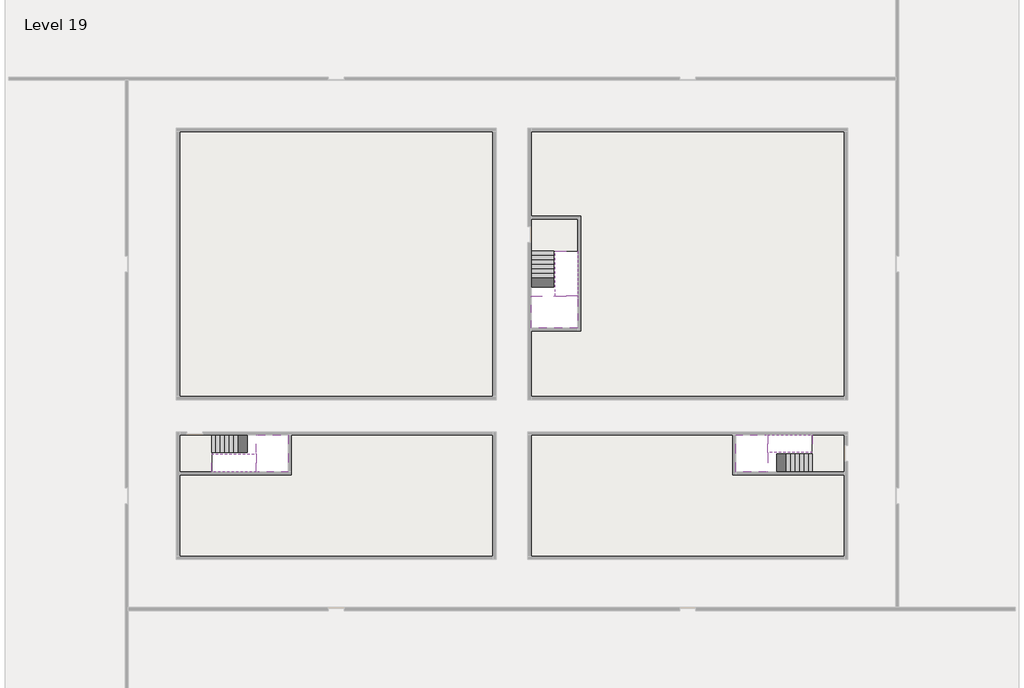
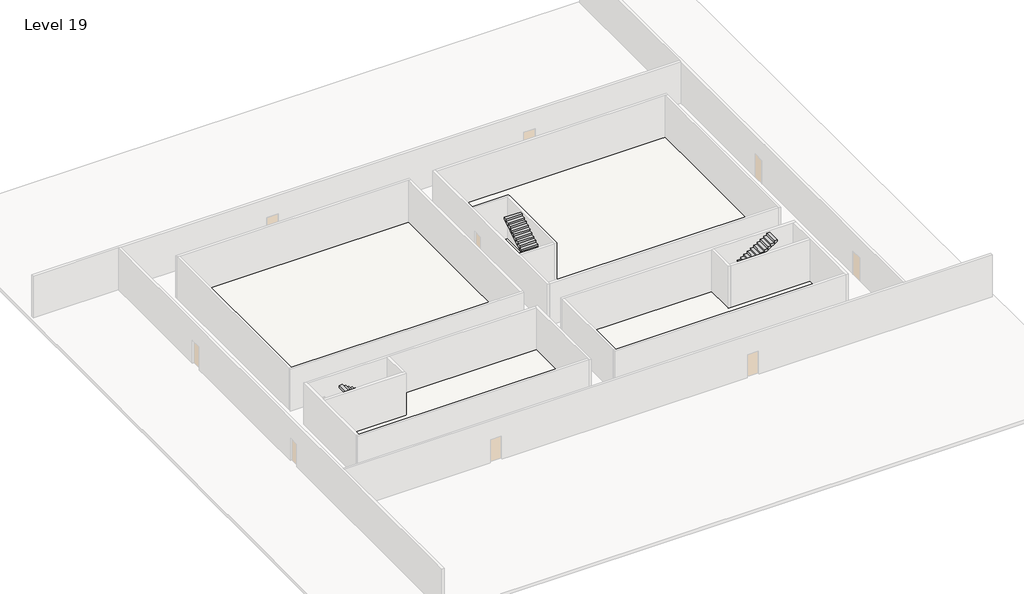
# One storey, part 2 of 2: 6 stair flights, 5 slabs.
"""IFC4 building model written with IfcOpenShell, lengths in millimetres."""

from ifc_helpers import new_model, si_unit, frame, origin, place, context, project, spatial, polyline, outline, extrude, faceted_brep, element, save

model = new_model("IFC4")

# Units and contexts
model_context = context("Model", 3, world=origin())
ifc_project = project(units=[si_unit("LENGTHUNIT", "METRE", prefix="MILLI")], contexts=[model_context])

# Site, building, storey
site = spatial("IfcSite", under=ifc_project)
building = spatial("IfcBuilding", under=site)
storey = spatial("IfcBuildingStorey", under=building, Name="Level 19", Elevation=68400.0)

# Slabs
placement = place(None, origin())
element("IfcSlab", 1, at=placement, inside=storey, context=model_context, shape_type="Brep", body=[
    faceted_brep([(8190.1058784, -42918.09644, 70300.0), (8190.1058784, -44018.09644, 70300.0), (8190.1058784, -44118.09644, 70300.0), (8190.1058784, -45218.09644, 70300.0), (8390.7194421, -45218.09644, 70300.0), (10190.1058784, -45218.09644, 70300.0), (10190.1058784, -42918.09644, 70300.0), (8269.4923146, -42918.09644, 70300.0), (8190.1058784, -42918.09644, 70127.2727273), (8190.1058784, -42918.09644, 69951.0278478), (8190.1058784, -44018.09644, 69951.0278478), (8190.1058784, -44018.09644, 70000.0), (8190.1058784, -44118.09644, 70000.0), (8190.1058784, -44118.09644, 70123.7551205), (8190.1058784, -45218.09644, 70123.7551205), (8390.7194421, -45218.09644, 70000.0), (10190.1058784, -45218.09644, 70000.0), (10190.1058784, -42918.09644, 70000.0), (8269.4923146, -42918.09644, 70000.0), (8390.7194421, -44118.09644, 70000.0), (8269.4923146, -44018.09644, 70000.0)], [[[0, 1, 2, 3, 4, 5, 6, 7]], [[1, 0, 8, 9, 10, 11]], [[2, 1, 11, 12, 13]], [[3, 2, 13, 14]], [[3, 14, 15, 16, 5, 4]], [[6, 5, 16, 17]], [[9, 8, 0, 7, 6, 17, 18]], [[19, 12, 11, 20, 18, 17, 16, 15]], [[12, 19, 13]], [[18, 20, 10, 9]], [[20, 11, 10]], [[19, 15, 14, 13]]]),
])
element("IfcSlab", 2, at=placement, inside=storey, context=model_context, shape_type="Brep", body=[
    faceted_brep([(40190.1058784, -45218.09644, 70300.0), (40190.1058784, -44118.09644, 70300.0), (40190.1058784, -44018.09644, 70300.0), (40190.1058784, -42918.09644, 70300.0), (39989.4923146, -42918.09644, 70300.0), (38190.1058784, -42918.09644, 70300.0), (38190.1058784, -45218.09644, 70300.0), (40110.7194421, -45218.09644, 70300.0), (40190.1058784, -45218.09644, 70127.2727273), (40190.1058784, -45218.09644, 69951.0278478), (40190.1058784, -44118.09644, 69951.0278478), (40190.1058784, -44118.09644, 70000.0), (40190.1058784, -44018.09644, 70000.0), (40190.1058784, -44018.09644, 70123.7551205), (40190.1058784, -42918.09644, 70123.7551205), (39989.4923146, -42918.09644, 70000.0), (38190.1058784, -42918.09644, 70000.0), (38190.1058784, -45218.09644, 70000.0), (40110.7194421, -45218.09644, 70000.0), (39989.4923146, -44018.09644, 70000.0), (40110.7194421, -44118.09644, 70000.0)], [[[0, 1, 2, 3, 4, 5, 6, 7]], [[1, 0, 8, 9, 10, 11]], [[2, 1, 11, 12, 13]], [[3, 2, 13, 14]], [[3, 14, 15, 16, 5, 4]], [[6, 5, 16, 17]], [[9, 8, 0, 7, 6, 17, 18]], [[19, 12, 11, 20, 18, 17, 16, 15]], [[12, 19, 13]], [[18, 20, 10, 9]], [[20, 11, 10]], [[19, 15, 14, 13]]]),
])
element("IfcSlab", 3, at=placement, inside=storey, context=model_context, shape_type="Brep", body=[
    faceted_brep([(26790.1058784, -34218.09644, 70300.0), (25390.1058784, -34218.09644, 70300.0), (25390.1058784, -34297.4828763, 70300.0), (25390.1058784, -36218.09644, 70300.0), (28290.1058784, -36218.09644, 70300.0), (28290.1058784, -34418.7100038, 70300.0), (28290.1058784, -34218.09644, 70300.0), (26890.1058784, -34218.09644, 70300.0), (26790.1058784, -34218.09644, 70000.0), (26790.1058784, -34218.09644, 69951.0278478), (25390.1058784, -34218.09644, 69951.0278478), (25390.1058784, -34218.09644, 70127.2727273), (25390.1058784, -34297.4828763, 70000.0), (25390.1058784, -36218.09644, 70000.0), (28290.1058784, -36218.09644, 70000.0), (28290.1058784, -34418.7100038, 70000.0), (28290.1058784, -34218.09644, 70123.7551205), (26890.1058784, -34218.09644, 70123.7551205), (26890.1058784, -34218.09644, 70000.0), (26890.1058784, -34418.7100038, 70000.0), (26790.1058784, -34297.4828763, 70000.0)], [[[0, 1, 2, 3, 4, 5, 6, 7]], [[1, 0, 8, 9, 10, 11]], [[1, 11, 10, 12, 13, 3, 2]], [[4, 3, 13, 14]], [[4, 14, 15, 16, 6, 5]], [[7, 6, 16, 17]], [[0, 7, 17, 18, 8]], [[18, 19, 15, 14, 13, 12, 20, 8]], [[19, 18, 17]], [[20, 12, 10, 9]], [[8, 20, 9]], [[15, 19, 17, 16]]]),
])
element("IfcSlab", 4, at=placement, inside=storey, context=model_context, shape_type="SweptSolid", body=[
    extrude(outline(polyline([(22990.1058784, -23918.09644), (22990.1058784, -40518.09644), (3390.1058784, -40518.09644), (3390.1058784, -23918.09644), (22990.1058784, -23918.09644)])), frame((0.0, 0.0, 68100.0), z_axis=(0.0, 0.0, 1.0), x_axis=(1.0, 0.0, 0.0)), (0.0, 0.0, 1.0), 300.0),
    extrude(outline(polyline([(44990.1058784, -23918.09644), (44990.1058784, -40518.09644), (25390.1058784, -40518.09644), (25390.1058784, -36418.09644), (28490.1058784, -36418.09644), (28490.1058784, -29218.09644), (25390.1058784, -29218.09644), (25390.1058784, -23918.09644), (44990.1058784, -23918.09644)])), frame((0.0, 0.0, 68100.0), z_axis=(0.0, 0.0, 1.0), x_axis=(1.0, 0.0, 0.0)), (0.0, 0.0, 1.0), 300.0),
    extrude(outline(polyline([(22990.1058784, -42918.09644), (22990.1058784, -50518.09644), (3390.1058784, -50518.09644), (3390.1058784, -45418.09644), (10390.1058784, -45418.09644), (10390.1058784, -42918.09644), (22990.1058784, -42918.09644)])), frame((0.0, 0.0, 68100.0), z_axis=(0.0, 0.0, 1.0), x_axis=(1.0, 0.0, 0.0)), (0.0, 0.0, 1.0), 300.0),
    extrude(outline(polyline([(37990.1058784, -42918.09644), (37990.1058784, -45418.09644), (44990.1058784, -45418.09644), (44990.1058784, -50518.09644), (25390.1058784, -50518.09644), (25390.1058784, -42918.09644), (37990.1058784, -42918.09644)])), frame((0.0, 0.0, 68100.0), z_axis=(0.0, 0.0, 1.0), x_axis=(1.0, 0.0, 0.0)), (0.0, 0.0, 1.0), 300.0),
])
element("IfcSlab", 5, at=placement, inside=storey, context=model_context, shape_type="SweptSolid", body=[
    extrude(outline(polyline([(44990.1058784, -42918.09644), (44990.1058784, -45218.09644), (42990.1058784, -45218.09644), (42990.1058784, -42918.09644), (44990.1058784, -42918.09644)])), frame((0.0, 0.0, 68100.0), z_axis=(0.0, 0.0, 1.0), x_axis=(1.0, 0.0, 0.0)), (0.0, 0.0, 1.0), 300.0),
    extrude(outline(polyline([(5390.1058784, -42918.09644), (5390.1058784, -45218.09644), (3390.1058784, -45218.09644), (3390.1058784, -42918.09644), (5390.1058784, -42918.09644)])), frame((0.0, 0.0, 68100.0), z_axis=(0.0, 0.0, 1.0), x_axis=(1.0, 0.0, 0.0)), (0.0, 0.0, 1.0), 300.0),
    extrude(outline(polyline([(28290.1058784, -29418.09644), (28290.1058784, -31418.09644), (25390.1058784, -31418.09644), (25390.1058784, -29418.09644), (28290.1058784, -29418.09644)])), frame((0.0, 0.0, 68100.0), z_axis=(0.0, 0.0, 1.0), x_axis=(1.0, 0.0, 0.0)), (0.0, 0.0, 1.0), 300.0),
])

# Stair flights
element("IfcStairFlight", 6, at=placement, inside=storey, context=model_context, shape_type="Brep", body=[
    faceted_brep([(5670.1058784, -42918.09644, 68572.7272727), (5390.1058784, -42918.09644, 68572.7272727), (5390.1058784, -44018.09644, 68572.7272727), (5670.1058784, -44018.09644, 68572.7272727), (5670.1058784, -42918.09644, 68400.0), (5390.1058784, -42918.09644, 68400.0), (5390.1058784, -44018.09644, 68400.0), (5670.1058784, -44018.09644, 68400.0), (5950.1058784, -42918.09644, 68745.4545455), (5670.1058784, -42918.09644, 68745.4545455), (5670.1058784, -44018.09644, 68745.4545455), (5950.1058784, -44018.09644, 68745.4545455), (5950.1058784, -42918.09644, 68569.209666), (5675.8081041, -42918.09644, 68400.0), (5675.8081041, -44018.09644, 68400.0), (5950.1058784, -44018.09644, 68569.209666), (6230.1058784, -42918.09644, 68918.1818182), (5950.1058784, -42918.09644, 68918.1818182), (5950.1058784, -44018.09644, 68918.1818182), (6230.1058784, -44018.09644, 68918.1818182), (6230.1058784, -42918.09644, 68741.9369387), (6230.1058784, -44018.09644, 68741.9369387), (6510.1058784, -42918.09644, 69090.9090909), (6230.1058784, -42918.09644, 69090.9090909), (6230.1058784, -44018.09644, 69090.9090909), (6510.1058784, -44018.09644, 69090.9090909), (6510.1058784, -42918.09644, 68914.6642114), (6510.1058784, -44018.09644, 68914.6642114), (6790.1058784, -42918.09644, 69263.6363636), (6510.1058784, -42918.09644, 69263.6363636), (6510.1058784, -44018.09644, 69263.6363636), (6790.1058784, -44018.09644, 69263.6363636), (6790.1058784, -42918.09644, 69087.3914841), (6790.1058784, -44018.09644, 69087.3914841), (7070.1058784, -42918.09644, 69436.3636364), (6790.1058784, -42918.09644, 69436.3636364), (6790.1058784, -44018.09644, 69436.3636364), (7070.1058784, -44018.09644, 69436.3636364), (7070.1058784, -42918.09644, 69260.1187569), (7070.1058784, -44018.09644, 69260.1187569), (7350.1058784, -42918.09644, 69609.0909091), (7070.1058784, -42918.09644, 69609.0909091), (7070.1058784, -44018.09644, 69609.0909091), (7350.1058784, -44018.09644, 69609.0909091), (7350.1058784, -42918.09644, 69432.8460296), (7350.1058784, -44018.09644, 69432.8460296), (7630.1058784, -42918.09644, 69781.8181818), (7350.1058784, -42918.09644, 69781.8181818), (7350.1058784, -44018.09644, 69781.8181818), (7630.1058784, -44018.09644, 69781.8181818), (7630.1058784, -42918.09644, 69605.5733023), (7630.1058784, -44018.09644, 69605.5733023), (7910.1058784, -42918.09644, 69954.5454545), (7630.1058784, -42918.09644, 69954.5454545), (7630.1058784, -44018.09644, 69954.5454545), (7910.1058784, -44018.09644, 69954.5454545), (7910.1058784, -42918.09644, 69778.3005751), (7910.1058784, -44018.09644, 69778.3005751), (8190.1058784, -42918.09644, 70127.2727273), (7910.1058784, -42918.09644, 70127.2727273), (7910.1058784, -44018.09644, 70127.2727273), (8190.1058784, -44018.09644, 70127.2727273), (8190.1058784, -42918.09644, 69951.0278478), (8190.1058784, -44018.09644, 69951.0278478), (8190.1058784, -44018.09644, 70000.0)], [[[0, 1, 2, 3]], [[1, 0, 4, 5]], [[2, 1, 5, 6]], [[3, 2, 6, 7]], [[8, 9, 10, 11]], [[4, 0, 9, 8, 12, 13]], [[0, 3, 10, 9]], [[3, 7, 14, 15, 11, 10]], [[16, 17, 18, 19]], [[17, 16, 20, 12, 8]], [[8, 11, 18, 17]], [[19, 18, 11, 15, 21]], [[22, 23, 24, 25]], [[23, 22, 26, 20, 16]], [[16, 19, 24, 23]], [[25, 24, 19, 21, 27]], [[28, 29, 30, 31]], [[29, 28, 32, 26, 22]], [[22, 25, 30, 29]], [[31, 30, 25, 27, 33]], [[34, 35, 36, 37]], [[35, 34, 38, 32, 28]], [[28, 31, 36, 35]], [[37, 36, 31, 33, 39]], [[40, 41, 42, 43]], [[41, 40, 44, 38, 34]], [[34, 37, 42, 41]], [[43, 42, 37, 39, 45]], [[46, 47, 48, 49]], [[47, 46, 50, 44, 40]], [[40, 43, 48, 47]], [[49, 48, 43, 45, 51]], [[52, 53, 54, 55]], [[53, 52, 56, 50, 46]], [[46, 49, 54, 53]], [[55, 54, 49, 51, 57]], [[58, 59, 60, 61]], [[59, 58, 62, 56, 52]], [[52, 55, 60, 59]], [[61, 60, 55, 57, 63, 64]], [[58, 61, 64, 63, 62]], [[5, 4, 13, 14, 7, 6]], [[14, 13, 12, 20, 26, 32, 38, 44, 50, 56, 62, 63, 57, 51, 45, 39, 33, 27, 21, 15]]]),
])
element("IfcStairFlight", 7, at=placement, inside=storey, context=model_context, shape_type="Brep", body=[
    faceted_brep([(7910.1058784, -45218.09644, 70472.7272727), (8190.1058784, -45218.09644, 70472.7272727), (8190.1058784, -44118.09644, 70472.7272727), (7910.1058784, -44118.09644, 70472.7272727), (7910.1058784, -45218.09644, 70296.4823932), (8190.1058784, -45218.09644, 70123.7551205), (8190.1058784, -45218.09644, 70300.0), (8190.1058784, -44118.09644, 70123.7551205), (7910.1058784, -44118.09644, 70296.4823932), (7630.1058784, -45218.09644, 70645.4545455), (7910.1058784, -45218.09644, 70645.4545455), (7910.1058784, -44118.09644, 70645.4545455), (7630.1058784, -44118.09644, 70645.4545455), (7630.1058784, -45218.09644, 70469.209666), (7630.1058784, -44118.09644, 70469.209666), (7350.1058784, -45218.09644, 70818.1818182), (7630.1058784, -45218.09644, 70818.1818182), (7630.1058784, -44118.09644, 70818.1818182), (7350.1058784, -44118.09644, 70818.1818182), (7350.1058784, -45218.09644, 70641.9369387), (7350.1058784, -44118.09644, 70641.9369387), (7070.1058784, -45218.09644, 70990.9090909), (7350.1058784, -45218.09644, 70990.9090909), (7350.1058784, -44118.09644, 70990.9090909), (7070.1058784, -44118.09644, 70990.9090909), (7070.1058784, -45218.09644, 70814.6642114), (7070.1058784, -44118.09644, 70814.6642114), (6790.1058784, -45218.09644, 71163.6363636), (7070.1058784, -45218.09644, 71163.6363636), (7070.1058784, -44118.09644, 71163.6363636), (6790.1058784, -44118.09644, 71163.6363636), (6790.1058784, -45218.09644, 70987.3914841), (6790.1058784, -44118.09644, 70987.3914841), (6510.1058784, -45218.09644, 71336.3636364), (6790.1058784, -45218.09644, 71336.3636364), (6790.1058784, -44118.09644, 71336.3636364), (6510.1058784, -44118.09644, 71336.3636364), (6510.1058784, -45218.09644, 71160.1187569), (6510.1058784, -44118.09644, 71160.1187569), (6230.1058784, -45218.09644, 71509.0909091), (6510.1058784, -45218.09644, 71509.0909091), (6510.1058784, -44118.09644, 71509.0909091), (6230.1058784, -44118.09644, 71509.0909091), (6230.1058784, -45218.09644, 71332.8460296), (6230.1058784, -44118.09644, 71332.8460296), (5950.1058784, -45218.09644, 71681.8181818), (6230.1058784, -45218.09644, 71681.8181818), (6230.1058784, -44118.09644, 71681.8181818), (5950.1058784, -44118.09644, 71681.8181818), (5950.1058784, -45218.09644, 71505.5733023), (5950.1058784, -44118.09644, 71505.5733023), (5670.1058784, -45218.09644, 71854.5454545), (5950.1058784, -45218.09644, 71854.5454545), (5950.1058784, -44118.09644, 71854.5454545), (5670.1058784, -44118.09644, 71854.5454545), (5670.1058784, -45218.09644, 71678.3005751), (5670.1058784, -44118.09644, 71678.3005751), (5390.1058784, -45218.09644, 72027.2727273), (5670.1058784, -45218.09644, 72027.2727273), (5670.1058784, -44118.09644, 72027.2727273), (5390.1058784, -44118.09644, 72027.2727273), (5390.1058784, -45218.09644, 71851.0278478), (5390.1058784, -44118.09644, 71851.0278478)], [[[0, 1, 2, 3]], [[1, 0, 4, 5, 6]], [[2, 1, 6, 5, 7]], [[3, 2, 7, 8]], [[9, 10, 11, 12]], [[10, 9, 13, 4, 0]], [[11, 10, 0, 3]], [[12, 11, 3, 8, 14]], [[15, 16, 17, 18]], [[16, 15, 19, 13, 9]], [[17, 16, 9, 12]], [[18, 17, 12, 14, 20]], [[21, 22, 23, 24]], [[22, 21, 25, 19, 15]], [[23, 22, 15, 18]], [[24, 23, 18, 20, 26]], [[27, 28, 29, 30]], [[28, 27, 31, 25, 21]], [[29, 28, 21, 24]], [[30, 29, 24, 26, 32]], [[33, 34, 35, 36]], [[34, 33, 37, 31, 27]], [[35, 34, 27, 30]], [[36, 35, 30, 32, 38]], [[39, 40, 41, 42]], [[40, 39, 43, 37, 33]], [[41, 40, 33, 36]], [[42, 41, 36, 38, 44]], [[45, 46, 47, 48]], [[46, 45, 49, 43, 39]], [[47, 46, 39, 42]], [[48, 47, 42, 44, 50]], [[51, 52, 53, 54]], [[52, 51, 55, 49, 45]], [[53, 52, 45, 48]], [[54, 53, 48, 50, 56]], [[57, 58, 59, 60]], [[58, 57, 61, 55, 51]], [[59, 58, 51, 54]], [[60, 59, 54, 56, 62]], [[57, 60, 62, 61]], [[5, 4, 13, 19, 25, 31, 37, 43, 49, 55, 61, 62, 56, 50, 44, 38, 32, 26, 20, 14, 8, 7]]]),
])
element("IfcStairFlight", 8, at=placement, inside=storey, context=model_context, shape_type="Brep", body=[
    faceted_brep([(42710.1058784, -45218.09644, 68572.7272727), (42990.1058784, -45218.09644, 68572.7272727), (42990.1058784, -44118.09644, 68572.7272727), (42710.1058784, -44118.09644, 68572.7272727), (42710.1058784, -45218.09644, 68400.0), (42990.1058784, -45218.09644, 68400.0), (42990.1058784, -44118.09644, 68400.0), (42710.1058784, -44118.09644, 68400.0), (42430.1058784, -45218.09644, 68745.4545455), (42710.1058784, -45218.09644, 68745.4545455), (42710.1058784, -44118.09644, 68745.4545455), (42430.1058784, -44118.09644, 68745.4545455), (42430.1058784, -45218.09644, 68569.209666), (42704.4036527, -45218.09644, 68400.0), (42704.4036527, -44118.09644, 68400.0), (42430.1058784, -44118.09644, 68569.209666), (42150.1058784, -45218.09644, 68918.1818182), (42430.1058784, -45218.09644, 68918.1818182), (42430.1058784, -44118.09644, 68918.1818182), (42150.1058784, -44118.09644, 68918.1818182), (42150.1058784, -45218.09644, 68741.9369387), (42150.1058784, -44118.09644, 68741.9369387), (41870.1058784, -45218.09644, 69090.9090909), (42150.1058784, -45218.09644, 69090.9090909), (42150.1058784, -44118.09644, 69090.9090909), (41870.1058784, -44118.09644, 69090.9090909), (41870.1058784, -45218.09644, 68914.6642114), (41870.1058784, -44118.09644, 68914.6642114), (41590.1058784, -45218.09644, 69263.6363636), (41870.1058784, -45218.09644, 69263.6363636), (41870.1058784, -44118.09644, 69263.6363636), (41590.1058784, -44118.09644, 69263.6363636), (41590.1058784, -45218.09644, 69087.3914841), (41590.1058784, -44118.09644, 69087.3914841), (41310.1058784, -45218.09644, 69436.3636364), (41590.1058784, -45218.09644, 69436.3636364), (41590.1058784, -44118.09644, 69436.3636364), (41310.1058784, -44118.09644, 69436.3636364), (41310.1058784, -45218.09644, 69260.1187569), (41310.1058784, -44118.09644, 69260.1187569), (41030.1058784, -45218.09644, 69609.0909091), (41310.1058784, -45218.09644, 69609.0909091), (41310.1058784, -44118.09644, 69609.0909091), (41030.1058784, -44118.09644, 69609.0909091), (41030.1058784, -45218.09644, 69432.8460296), (41030.1058784, -44118.09644, 69432.8460296), (40750.1058784, -45218.09644, 69781.8181818), (41030.1058784, -45218.09644, 69781.8181818), (41030.1058784, -44118.09644, 69781.8181818), (40750.1058784, -44118.09644, 69781.8181818), (40750.1058784, -45218.09644, 69605.5733023), (40750.1058784, -44118.09644, 69605.5733023), (40470.1058784, -45218.09644, 69954.5454545), (40750.1058784, -45218.09644, 69954.5454545), (40750.1058784, -44118.09644, 69954.5454545), (40470.1058784, -44118.09644, 69954.5454545), (40470.1058784, -45218.09644, 69778.3005751), (40470.1058784, -44118.09644, 69778.3005751), (40190.1058784, -45218.09644, 70127.2727273), (40470.1058784, -45218.09644, 70127.2727273), (40470.1058784, -44118.09644, 70127.2727273), (40190.1058784, -44118.09644, 70127.2727273), (40190.1058784, -45218.09644, 69951.0278478), (40190.1058784, -44118.09644, 69951.0278478), (40190.1058784, -44118.09644, 70000.0)], [[[0, 1, 2, 3]], [[1, 0, 4, 5]], [[2, 1, 5, 6]], [[3, 2, 6, 7]], [[8, 9, 10, 11]], [[4, 0, 9, 8, 12, 13]], [[0, 3, 10, 9]], [[3, 7, 14, 15, 11, 10]], [[16, 17, 18, 19]], [[17, 16, 20, 12, 8]], [[8, 11, 18, 17]], [[19, 18, 11, 15, 21]], [[22, 23, 24, 25]], [[23, 22, 26, 20, 16]], [[16, 19, 24, 23]], [[25, 24, 19, 21, 27]], [[28, 29, 30, 31]], [[29, 28, 32, 26, 22]], [[22, 25, 30, 29]], [[31, 30, 25, 27, 33]], [[34, 35, 36, 37]], [[35, 34, 38, 32, 28]], [[28, 31, 36, 35]], [[37, 36, 31, 33, 39]], [[40, 41, 42, 43]], [[41, 40, 44, 38, 34]], [[34, 37, 42, 41]], [[43, 42, 37, 39, 45]], [[46, 47, 48, 49]], [[47, 46, 50, 44, 40]], [[40, 43, 48, 47]], [[49, 48, 43, 45, 51]], [[52, 53, 54, 55]], [[53, 52, 56, 50, 46]], [[46, 49, 54, 53]], [[55, 54, 49, 51, 57]], [[58, 59, 60, 61]], [[59, 58, 62, 56, 52]], [[52, 55, 60, 59]], [[61, 60, 55, 57, 63, 64]], [[58, 61, 64, 63, 62]], [[5, 4, 13, 14, 7, 6]], [[14, 13, 12, 20, 26, 32, 38, 44, 50, 56, 62, 63, 57, 51, 45, 39, 33, 27, 21, 15]]]),
])
element("IfcStairFlight", 9, at=placement, inside=storey, context=model_context, shape_type="Brep", body=[
    faceted_brep([(40470.1058784, -42918.09644, 70472.7272727), (40190.1058784, -42918.09644, 70472.7272727), (40190.1058784, -44018.09644, 70472.7272727), (40470.1058784, -44018.09644, 70472.7272727), (40470.1058784, -42918.09644, 70296.4823932), (40190.1058784, -42918.09644, 70123.7551205), (40190.1058784, -42918.09644, 70300.0), (40190.1058784, -44018.09644, 70123.7551205), (40470.1058784, -44018.09644, 70296.4823932), (40750.1058784, -42918.09644, 70645.4545455), (40470.1058784, -42918.09644, 70645.4545455), (40470.1058784, -44018.09644, 70645.4545455), (40750.1058784, -44018.09644, 70645.4545455), (40750.1058784, -42918.09644, 70469.209666), (40750.1058784, -44018.09644, 70469.209666), (41030.1058784, -42918.09644, 70818.1818182), (40750.1058784, -42918.09644, 70818.1818182), (40750.1058784, -44018.09644, 70818.1818182), (41030.1058784, -44018.09644, 70818.1818182), (41030.1058784, -42918.09644, 70641.9369387), (41030.1058784, -44018.09644, 70641.9369387), (41310.1058784, -42918.09644, 70990.9090909), (41030.1058784, -42918.09644, 70990.9090909), (41030.1058784, -44018.09644, 70990.9090909), (41310.1058784, -44018.09644, 70990.9090909), (41310.1058784, -42918.09644, 70814.6642114), (41310.1058784, -44018.09644, 70814.6642114), (41590.1058784, -42918.09644, 71163.6363636), (41310.1058784, -42918.09644, 71163.6363636), (41310.1058784, -44018.09644, 71163.6363636), (41590.1058784, -44018.09644, 71163.6363636), (41590.1058784, -42918.09644, 70987.3914841), (41590.1058784, -44018.09644, 70987.3914841), (41870.1058784, -42918.09644, 71336.3636364), (41590.1058784, -42918.09644, 71336.3636364), (41590.1058784, -44018.09644, 71336.3636364), (41870.1058784, -44018.09644, 71336.3636364), (41870.1058784, -42918.09644, 71160.1187569), (41870.1058784, -44018.09644, 71160.1187569), (42150.1058784, -42918.09644, 71509.0909091), (41870.1058784, -42918.09644, 71509.0909091), (41870.1058784, -44018.09644, 71509.0909091), (42150.1058784, -44018.09644, 71509.0909091), (42150.1058784, -42918.09644, 71332.8460296), (42150.1058784, -44018.09644, 71332.8460296), (42430.1058784, -42918.09644, 71681.8181818), (42150.1058784, -42918.09644, 71681.8181818), (42150.1058784, -44018.09644, 71681.8181818), (42430.1058784, -44018.09644, 71681.8181818), (42430.1058784, -42918.09644, 71505.5733023), (42430.1058784, -44018.09644, 71505.5733023), (42710.1058784, -42918.09644, 71854.5454545), (42430.1058784, -42918.09644, 71854.5454545), (42430.1058784, -44018.09644, 71854.5454545), (42710.1058784, -44018.09644, 71854.5454545), (42710.1058784, -42918.09644, 71678.3005751), (42710.1058784, -44018.09644, 71678.3005751), (42990.1058784, -42918.09644, 72027.2727273), (42710.1058784, -42918.09644, 72027.2727273), (42710.1058784, -44018.09644, 72027.2727273), (42990.1058784, -44018.09644, 72027.2727273), (42990.1058784, -42918.09644, 71851.0278478), (42990.1058784, -44018.09644, 71851.0278478)], [[[0, 1, 2, 3]], [[1, 0, 4, 5, 6]], [[2, 1, 6, 5, 7]], [[3, 2, 7, 8]], [[9, 10, 11, 12]], [[10, 9, 13, 4, 0]], [[11, 10, 0, 3]], [[12, 11, 3, 8, 14]], [[15, 16, 17, 18]], [[16, 15, 19, 13, 9]], [[17, 16, 9, 12]], [[18, 17, 12, 14, 20]], [[21, 22, 23, 24]], [[22, 21, 25, 19, 15]], [[23, 22, 15, 18]], [[24, 23, 18, 20, 26]], [[27, 28, 29, 30]], [[28, 27, 31, 25, 21]], [[29, 28, 21, 24]], [[30, 29, 24, 26, 32]], [[33, 34, 35, 36]], [[34, 33, 37, 31, 27]], [[35, 34, 27, 30]], [[36, 35, 30, 32, 38]], [[39, 40, 41, 42]], [[40, 39, 43, 37, 33]], [[41, 40, 33, 36]], [[42, 41, 36, 38, 44]], [[45, 46, 47, 48]], [[46, 45, 49, 43, 39]], [[47, 46, 39, 42]], [[48, 47, 42, 44, 50]], [[51, 52, 53, 54]], [[52, 51, 55, 49, 45]], [[53, 52, 45, 48]], [[54, 53, 48, 50, 56]], [[57, 58, 59, 60]], [[58, 57, 61, 55, 51]], [[59, 58, 51, 54]], [[60, 59, 54, 56, 62]], [[57, 60, 62, 61]], [[5, 4, 13, 19, 25, 31, 37, 43, 49, 55, 61, 62, 56, 50, 44, 38, 32, 26, 20, 14, 8, 7]]]),
])
element("IfcStairFlight", 10, at=placement, inside=storey, context=model_context, shape_type="Brep", body=[
    faceted_brep([(26790.1058784, -31698.09644, 68572.7272727), (26790.1058784, -31418.09644, 68572.7272727), (25390.1058784, -31418.09644, 68572.7272727), (25390.1058784, -31698.09644, 68572.7272727), (26790.1058784, -31698.09644, 68400.0), (26790.1058784, -31418.09644, 68400.0), (25390.1058784, -31418.09644, 68400.0), (25390.1058784, -31698.09644, 68400.0), (26790.1058784, -31978.09644, 68745.4545455), (26790.1058784, -31698.09644, 68745.4545455), (25390.1058784, -31698.09644, 68745.4545455), (25390.1058784, -31978.09644, 68745.4545455), (26790.1058784, -31978.09644, 68569.209666), (26790.1058784, -31703.7986657, 68400.0), (25390.1058784, -31703.7986657, 68400.0), (25390.1058784, -31978.09644, 68569.209666), (26790.1058784, -32258.09644, 68918.1818182), (26790.1058784, -31978.09644, 68918.1818182), (25390.1058784, -31978.09644, 68918.1818182), (25390.1058784, -32258.09644, 68918.1818182), (26790.1058784, -32258.09644, 68741.9369387), (25390.1058784, -32258.09644, 68741.9369387), (26790.1058784, -32538.09644, 69090.9090909), (26790.1058784, -32258.09644, 69090.9090909), (25390.1058784, -32258.09644, 69090.9090909), (25390.1058784, -32538.09644, 69090.9090909), (26790.1058784, -32538.09644, 68914.6642114), (25390.1058784, -32538.09644, 68914.6642114), (26790.1058784, -32818.09644, 69263.6363636), (26790.1058784, -32538.09644, 69263.6363636), (25390.1058784, -32538.09644, 69263.6363636), (25390.1058784, -32818.09644, 69263.6363636), (26790.1058784, -32818.09644, 69087.3914841), (25390.1058784, -32818.09644, 69087.3914841), (26790.1058784, -33098.09644, 69436.3636364), (26790.1058784, -32818.09644, 69436.3636364), (25390.1058784, -32818.09644, 69436.3636364), (25390.1058784, -33098.09644, 69436.3636364), (26790.1058784, -33098.09644, 69260.1187569), (25390.1058784, -33098.09644, 69260.1187569), (26790.1058784, -33378.09644, 69609.0909091), (26790.1058784, -33098.09644, 69609.0909091), (25390.1058784, -33098.09644, 69609.0909091), (25390.1058784, -33378.09644, 69609.0909091), (26790.1058784, -33378.09644, 69432.8460296), (25390.1058784, -33378.09644, 69432.8460296), (26790.1058784, -33658.09644, 69781.8181818), (26790.1058784, -33378.09644, 69781.8181818), (25390.1058784, -33378.09644, 69781.8181818), (25390.1058784, -33658.09644, 69781.8181818), (26790.1058784, -33658.09644, 69605.5733023), (25390.1058784, -33658.09644, 69605.5733023), (26790.1058784, -33938.09644, 69954.5454545), (26790.1058784, -33658.09644, 69954.5454545), (25390.1058784, -33658.09644, 69954.5454545), (25390.1058784, -33938.09644, 69954.5454545), (26790.1058784, -33938.09644, 69778.3005751), (25390.1058784, -33938.09644, 69778.3005751), (26790.1058784, -34218.09644, 70127.2727273), (26790.1058784, -33938.09644, 70127.2727273), (25390.1058784, -33938.09644, 70127.2727273), (25390.1058784, -34218.09644, 70127.2727273), (26790.1058784, -34218.09644, 70000.0), (26790.1058784, -34218.09644, 69951.0278478), (25390.1058784, -34218.09644, 69951.0278478)], [[[0, 1, 2, 3]], [[1, 0, 4, 5]], [[2, 1, 5, 6]], [[3, 2, 6, 7]], [[8, 9, 10, 11]], [[4, 0, 9, 8, 12, 13]], [[0, 3, 10, 9]], [[3, 7, 14, 15, 11, 10]], [[16, 17, 18, 19]], [[17, 16, 20, 12, 8]], [[8, 11, 18, 17]], [[19, 18, 11, 15, 21]], [[22, 23, 24, 25]], [[23, 22, 26, 20, 16]], [[16, 19, 24, 23]], [[25, 24, 19, 21, 27]], [[28, 29, 30, 31]], [[29, 28, 32, 26, 22]], [[22, 25, 30, 29]], [[31, 30, 25, 27, 33]], [[34, 35, 36, 37]], [[35, 34, 38, 32, 28]], [[28, 31, 36, 35]], [[37, 36, 31, 33, 39]], [[40, 41, 42, 43]], [[41, 40, 44, 38, 34]], [[34, 37, 42, 41]], [[43, 42, 37, 39, 45]], [[46, 47, 48, 49]], [[47, 46, 50, 44, 40]], [[40, 43, 48, 47]], [[49, 48, 43, 45, 51]], [[52, 53, 54, 55]], [[53, 52, 56, 50, 46]], [[46, 49, 54, 53]], [[55, 54, 49, 51, 57]], [[58, 59, 60, 61]], [[59, 58, 62, 63, 56, 52]], [[52, 55, 60, 59]], [[61, 60, 55, 57, 64]], [[58, 61, 64, 63, 62]], [[5, 4, 13, 14, 7, 6]], [[14, 13, 12, 20, 26, 32, 38, 44, 50, 56, 63, 64, 57, 51, 45, 39, 33, 27, 21, 15]]]),
])
element("IfcStairFlight", 11, at=placement, inside=storey, context=model_context, shape_type="Brep", body=[
    faceted_brep([(26890.1058784, -33938.09644, 70472.7272727), (26890.1058784, -34218.09644, 70472.7272727), (28290.1058784, -34218.09644, 70472.7272727), (28290.1058784, -33938.09644, 70472.7272727), (26890.1058784, -33938.09644, 70296.4823932), (26890.1058784, -34218.09644, 70123.7551205), (28290.1058784, -34218.09644, 70123.7551205), (28290.1058784, -34218.09644, 70300.0), (28290.1058784, -33938.09644, 70296.4823932), (26890.1058784, -33658.09644, 70645.4545455), (26890.1058784, -33938.09644, 70645.4545455), (28290.1058784, -33938.09644, 70645.4545455), (28290.1058784, -33658.09644, 70645.4545455), (26890.1058784, -33658.09644, 70469.209666), (28290.1058784, -33658.09644, 70469.209666), (26890.1058784, -33378.09644, 70818.1818182), (26890.1058784, -33658.09644, 70818.1818182), (28290.1058784, -33658.09644, 70818.1818182), (28290.1058784, -33378.09644, 70818.1818182), (26890.1058784, -33378.09644, 70641.9369387), (28290.1058784, -33378.09644, 70641.9369387), (26890.1058784, -33098.09644, 70990.9090909), (26890.1058784, -33378.09644, 70990.9090909), (28290.1058784, -33378.09644, 70990.9090909), (28290.1058784, -33098.09644, 70990.9090909), (26890.1058784, -33098.09644, 70814.6642114), (28290.1058784, -33098.09644, 70814.6642114), (26890.1058784, -32818.09644, 71163.6363636), (26890.1058784, -33098.09644, 71163.6363636), (28290.1058784, -33098.09644, 71163.6363636), (28290.1058784, -32818.09644, 71163.6363636), (26890.1058784, -32818.09644, 70987.3914841), (28290.1058784, -32818.09644, 70987.3914841), (26890.1058784, -32538.09644, 71336.3636364), (26890.1058784, -32818.09644, 71336.3636364), (28290.1058784, -32818.09644, 71336.3636364), (28290.1058784, -32538.09644, 71336.3636364), (26890.1058784, -32538.09644, 71160.1187569), (28290.1058784, -32538.09644, 71160.1187569), (26890.1058784, -32258.09644, 71509.0909091), (26890.1058784, -32538.09644, 71509.0909091), (28290.1058784, -32538.09644, 71509.0909091), (28290.1058784, -32258.09644, 71509.0909091), (26890.1058784, -32258.09644, 71332.8460296), (28290.1058784, -32258.09644, 71332.8460296), (26890.1058784, -31978.09644, 71681.8181818), (26890.1058784, -32258.09644, 71681.8181818), (28290.1058784, -32258.09644, 71681.8181818), (28290.1058784, -31978.09644, 71681.8181818), (26890.1058784, -31978.09644, 71505.5733023), (28290.1058784, -31978.09644, 71505.5733023), (26890.1058784, -31698.09644, 71854.5454545), (26890.1058784, -31978.09644, 71854.5454545), (28290.1058784, -31978.09644, 71854.5454545), (28290.1058784, -31698.09644, 71854.5454545), (26890.1058784, -31698.09644, 71678.3005751), (28290.1058784, -31698.09644, 71678.3005751), (26890.1058784, -31418.09644, 72027.2727273), (26890.1058784, -31698.09644, 72027.2727273), (28290.1058784, -31698.09644, 72027.2727273), (28290.1058784, -31418.09644, 72027.2727273), (26890.1058784, -31418.09644, 71851.0278478), (28290.1058784, -31418.09644, 71851.0278478)], [[[0, 1, 2, 3]], [[1, 0, 4, 5]], [[2, 1, 5, 6, 7]], [[3, 2, 7, 6, 8]], [[9, 10, 11, 12]], [[10, 9, 13, 4, 0]], [[11, 10, 0, 3]], [[12, 11, 3, 8, 14]], [[15, 16, 17, 18]], [[16, 15, 19, 13, 9]], [[17, 16, 9, 12]], [[18, 17, 12, 14, 20]], [[21, 22, 23, 24]], [[22, 21, 25, 19, 15]], [[23, 22, 15, 18]], [[24, 23, 18, 20, 26]], [[27, 28, 29, 30]], [[28, 27, 31, 25, 21]], [[29, 28, 21, 24]], [[30, 29, 24, 26, 32]], [[33, 34, 35, 36]], [[34, 33, 37, 31, 27]], [[35, 34, 27, 30]], [[36, 35, 30, 32, 38]], [[39, 40, 41, 42]], [[40, 39, 43, 37, 33]], [[41, 40, 33, 36]], [[42, 41, 36, 38, 44]], [[45, 46, 47, 48]], [[46, 45, 49, 43, 39]], [[47, 46, 39, 42]], [[48, 47, 42, 44, 50]], [[51, 52, 53, 54]], [[52, 51, 55, 49, 45]], [[53, 52, 45, 48]], [[54, 53, 48, 50, 56]], [[57, 58, 59, 60]], [[58, 57, 61, 55, 51]], [[59, 58, 51, 54]], [[60, 59, 54, 56, 62]], [[57, 60, 62, 61]], [[5, 4, 13, 19, 25, 31, 37, 43, 49, 55, 61, 62, 56, 50, 44, 38, 32, 26, 20, 14, 8, 6]]]),
])

save(model, "model.ifc")
